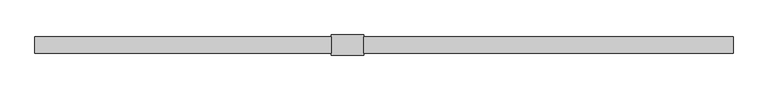
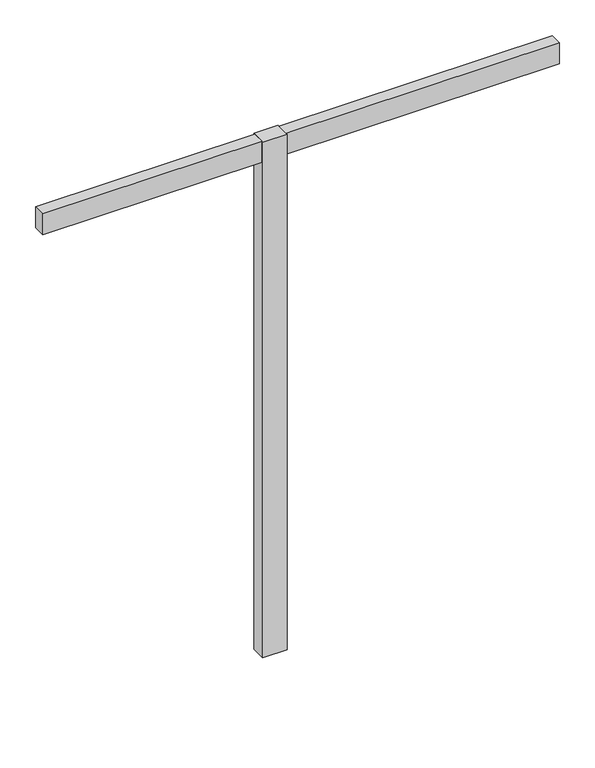
"""IFC4 building model written with IfcOpenShell, lengths in millimetres: furniture geometry."""

from ifc_helpers import new_model, si_unit, frame, origin, place, context, project, spatial, polyline, circle_curve, outline, extrude, source, transform, mapped, element, save
from ifc_brep_helpers import plane_surface, cylinder_surface, revolved_surface, advanced_brep


def furniture_acdec456(model_context):
    return source(origin(), model_context, "Body", "SolidModel", [
        extrude(outline(polyline([(0.0, -25.4), (0.0, 25.4), (914.4, 25.4), (914.4, -25.4), (0.0, -25.4)])), frame((0.0, 0.0, 2193.163), z_axis=(0.0, 0.0, 1.0), x_axis=(1.0, 0.0, 0.0)), (0.0, 0.0, 1.0), 92.71),
        extrude(outline(polyline([(2155.952, 25.4), (2155.952, -25.4), (1016.0, -25.4), (1016.0, 25.4), (2155.952, 25.4)])), frame((0.0, 0.0, 2193.163), z_axis=(0.0, 0.0, 1.0), x_axis=(1.0, 0.0, 0.0)), (0.0, 0.0, 1.0), 92.71),
        advanced_brep(
        [(960.28608, 0.0, 12.2513995), (973.7007166, 0.0, 12.2513995), (973.7007166, 0.0, 8.6192084), (960.28608, 0.0, 8.6192084), (966.9933983, 0.0, 12.2513995), (963.0977328, 0.0, 0.1343169), (970.8890638, 0.0, 0.1343169), (966.9933983, 0.0, 0.1343169), (958.3954934, 0.0, 0.5457096), (975.5913032, 0.0, 0.5457096), (956.463095, 0.0, 1.6168555), (977.5237016, 0.0, 1.6168555), (955.7442797, 0.0, 3.5917842), (978.2425168, 0.0, 3.5917842), (955.7442797, 0.0, 5.5815918), (978.2425168, 0.0, 5.5815918), (956.1049588, 0.0, 6.9276644), (977.8818378, 0.0, 6.9276644), (957.1315909, 0.0, 7.9542964), (976.8552057, 0.0, 7.9542964), (958.7773058, 0.0, 8.6192084), (975.2094908, 0.0, 8.6192084)],
        [
            (0, 1, circle_curve(frame((966.9933983, 0.0, 12.2513995), z_axis=(0.0, 0.0, -1.0), x_axis=(1.0, 0.0, 0.0)), 6.7073183)),
            (1, 2),
            (2, 3, circle_curve(frame((966.9933983, 0.0, 8.6192084), z_axis=(0.0, 0.0, 1.0), x_axis=(1.0, 0.0, 0.0)), 6.7073183)),
            (3, 0),
            (1, 0, circle_curve(frame((966.9933983, 0.0, 12.2513995), z_axis=(0.0, 0.0, -1.0), x_axis=(1.0, 0.0, 0.0)), 6.7073183)),
            (3, 2, circle_curve(frame((966.9933983, 0.0, 8.6192084), z_axis=(0.0, 0.0, 1.0), x_axis=(1.0, 0.0, 0.0)), 6.7073183)),
            (4, 1),
            (0, 4),
            (5, 6, circle_curve(frame((966.9933983, 0.0, 0.1343169), z_axis=(0.0, 0.0, -1.0), x_axis=(1.0, 0.0, 0.0)), 3.8956655)),
            (6, 7),
            (7, 5),
            (6, 5, circle_curve(frame((966.9933983, 0.0, 0.1343169), z_axis=(0.0, 0.0, -1.0), x_axis=(1.0, 0.0, 0.0)), 3.8956655)),
            (8, 9, circle_curve(frame((966.9933983, 0.0, 0.5457096), z_axis=(0.0, 0.0, -1.0), x_axis=(1.0, 0.0, 0.0)), 8.5979049)),
            (9, 6),
            (5, 8),
            (9, 8, circle_curve(frame((966.9933983, 0.0, 0.5457096), z_axis=(0.0, 0.0, -1.0), x_axis=(1.0, 0.0, 0.0)), 8.5979049)),
            (10, 11, circle_curve(frame((966.9933983, 0.0, 1.6168555), z_axis=(0.0, 0.0, -1.0), x_axis=(1.0, 0.0, 0.0)), 10.5303033)),
            (11, 9),
            (8, 10),
            (11, 10, circle_curve(frame((966.9933983, 0.0, 1.6168555), z_axis=(0.0, 0.0, -1.0), x_axis=(1.0, 0.0, 0.0)), 10.5303033)),
            (12, 13, circle_curve(frame((966.9933983, 0.0, 3.5917842), z_axis=(0.0, 0.0, -1.0), x_axis=(1.0, 0.0, 0.0)), 11.2491185)),
            (13, 11),
            (10, 12),
            (13, 12, circle_curve(frame((966.9933983, 0.0, 3.5917842), z_axis=(0.0, 0.0, -1.0), x_axis=(1.0, 0.0, 0.0)), 11.2491185)),
            (14, 15, circle_curve(frame((966.9933983, 0.0, 5.5815918), z_axis=(0.0, 0.0, -1.0), x_axis=(1.0, 0.0, 0.0)), 11.2491185)),
            (15, 13),
            (12, 14),
            (15, 14, circle_curve(frame((966.9933983, 0.0, 5.5815918), z_axis=(0.0, 0.0, -1.0), x_axis=(1.0, 0.0, 0.0)), 11.2491185)),
            (16, 17, circle_curve(frame((966.9933983, 0.0, 6.9276644), z_axis=(0.0, 0.0, -1.0), x_axis=(1.0, 0.0, 0.0)), 10.8884395)),
            (17, 15),
            (14, 16),
            (17, 16, circle_curve(frame((966.9933983, 0.0, 6.9276644), z_axis=(0.0, 0.0, -1.0), x_axis=(1.0, 0.0, 0.0)), 10.8884395)),
            (18, 19, circle_curve(frame((966.9933983, 0.0, 7.9542964), z_axis=(0.0, 0.0, -1.0), x_axis=(1.0, 0.0, 0.0)), 9.8618074)),
            (19, 17),
            (16, 18),
            (19, 18, circle_curve(frame((966.9933983, 0.0, 7.9542964), z_axis=(0.0, 0.0, -1.0), x_axis=(1.0, 0.0, 0.0)), 9.8618074)),
            (20, 21, circle_curve(frame((966.9933983, 0.0, 8.6192084), z_axis=(0.0, 0.0, -1.0), x_axis=(1.0, 0.0, 0.0)), 8.2160925)),
            (21, 19),
            (18, 20),
            (21, 20, circle_curve(frame((966.9933983, 0.0, 8.6192084), z_axis=(0.0, 0.0, -1.0), x_axis=(1.0, 0.0, 0.0)), 8.2160925)),
            (2, 21),
            (20, 3),
        ],
        [
            cylinder_surface(frame((966.9933983, 0.0, 12.9264669), z_axis=(0.0, 0.0, 1.0), x_axis=(1.0, 0.0, 0.0)), 6.7073183),
            plane_surface(frame((966.9933983, 0.0, 12.2513995), z_axis=(0.0, 0.0, 1.0), x_axis=(1.0, 0.0, 0.0))),
            plane_surface(frame((966.9933983, 0.0, 0.1343169), z_axis=(0.0, 0.0, -1.0), x_axis=(1.0, 0.0, 0.0))),
            revolved_surface(polyline([(970.8890638, 0.0, 0.1343169), (975.5913032, 0.0, 0.5457096)]), (966.9933983, 0.0, 12.9264669), (0.0, 0.0, 1.0)),
            revolved_surface(polyline([(975.5913032, 0.0, 0.5457096), (977.5237016, 0.0, 1.6168555)]), (966.9933983, 0.0, 12.9264669), (0.0, 0.0, 1.0)),
            revolved_surface(polyline([(977.5237016, 0.0, 1.6168555), (978.2425168, 0.0, 3.5917842)]), (966.9933983, 0.0, 12.9264669), (0.0, 0.0, 1.0)),
            cylinder_surface(frame((966.9933983, 0.0, 12.9264669), z_axis=(0.0, 0.0, 1.0), x_axis=(1.0, 0.0, 0.0)), 11.2491185),
            revolved_surface(polyline([(978.2425168, 0.0, 5.5815918), (977.8818378, 0.0, 6.9276644)]), (966.9933983, 0.0, 12.9264669), (0.0, 0.0, 1.0)),
            revolved_surface(polyline([(977.8818378, 0.0, 6.9276644), (976.8552057, 0.0, 7.9542964)]), (966.9933983, 0.0, 12.9264669), (0.0, 0.0, 1.0)),
            revolved_surface(polyline([(976.8552057, 0.0, 7.9542964), (975.2094908, 0.0, 8.6192084)]), (966.9933983, 0.0, 12.9264669), (0.0, 0.0, 1.0)),
            plane_surface(frame((966.9933983, 0.0, 8.6192084), z_axis=(0.0, 0.0, 1.0), x_axis=(1.0, 0.0, 0.0))),
        ],
        [
            (0, [[1, 2, 3, 4]]),
            (0, [[5, -4, 6, -2]]),
            (1, [[7, -1, 8]]),
            (1, [[-8, -5, -7]]),
            (2, [[9, 10, 11]]),
            (2, [[12, -11, -10]]),
            (3, [[13, 14, -9, 15]]),
            (3, [[16, -15, -12, -14]]),
            (4, [[17, 18, -13, 19]]),
            (4, [[20, -19, -16, -18]]),
            (5, [[21, 22, -17, 23]]),
            (5, [[24, -23, -20, -22]]),
            (6, [[25, 26, -21, 27]]),
            (6, [[28, -27, -24, -26]]),
            (7, [[29, 30, -25, 31]]),
            (7, [[32, -31, -28, -30]]),
            (8, [[33, 34, -29, 35]]),
            (8, [[36, -35, -32, -34]]),
            (9, [[37, 38, -33, 39]]),
            (9, [[40, -39, -36, -38]]),
            (10, [[-3, 41, -37, 42]]),
            (10, [[-6, -42, -40, -41]]),
        ],
    ),
        extrude(outline(polyline([(914.4, 31.75), (1016.0, 31.75), (1016.0, -31.75), (914.4, -31.75), (914.4, 31.75)])), frame((0.0, 0.0, 12.2513995), z_axis=(0.0, 0.0, 1.0), x_axis=(1.0, 0.0, 0.0)), (0.0, 0.0, 1.0), 2273.6216005),
    ])


if __name__ == "__main__":
    model = new_model("IFC4")
    model_context = context("Model", 3, world=origin())
    ifc_project = project(units=[si_unit("LENGTHUNIT", "METRE", prefix="MILLI")], contexts=[model_context])
    site = spatial("IfcSite", under=ifc_project)
    building = spatial("IfcBuilding", under=site)
    placement = place(None, origin())
    furniture_shape = furniture_acdec456(model_context)
    element("IfcFurniture", 1, at=placement, inside=building, context=model_context, shape_type="MappedRepresentation", body=[
        mapped(furniture_shape, transform((0.0, 0.0, 0.0), x_axis=(1.0, 0.0, 0.0), y_axis=(0.0, 1.0, 0.0), z_axis=(0.0, 0.0, 1.0))),
    ])
    save(model, "model.ifc")
